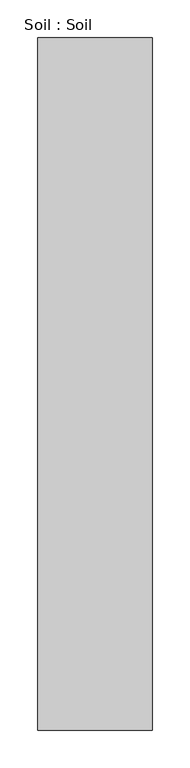
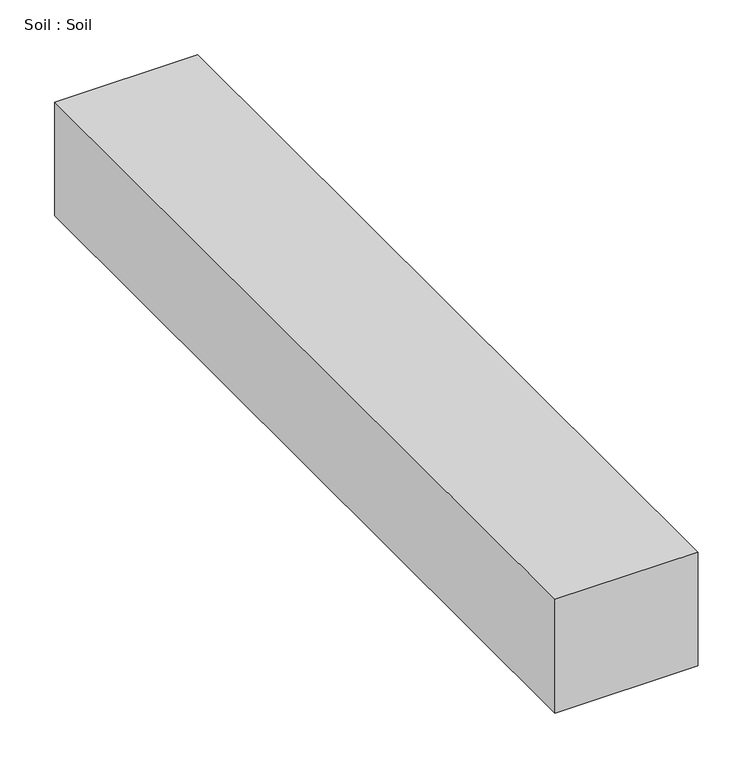
"""IFC4 building model written with IfcOpenShell, lengths in millimetres: proxy geometry, Soil : Soil."""

import ifcopenshell
import ifcopenshell.guid

model = None  # the IFC model being written
_history = None  # IfcOwnerHistory: only IFC2X3 demands one
_inside = {}  # id of a spatial element -> (the spatial element, [elements in it])
_under = {}  # id of a project, library or spatial element -> (it, [spatial elements below it])
_declared = {}  # id of a project -> (the project, [libraries it declares])
_typed = {}  # id of a type object -> (the type object, [elements of that type])
_made_of = {}  # id of a material, layer set ... -> (it, [elements and type objects made of it])


def new_model(schema):
    """Start an empty IFC model of exactly this schema.

    Asked for "IFC4X3", IfcOpenShell would pick the latest addendum, in which some entities
    have other attributes; the version numbers below select the first issue.
    IFC2X3 requires an IfcOwnerHistory on every rooted entity: one is made here for all.
    """
    global model, _history
    if schema == "IFC4X3":
        model = ifcopenshell.file(schema_version=(4, 3, 0, 0))
    else:
        model = ifcopenshell.file(schema=schema)
    _inside.clear()
    _under.clear()
    _declared.clear()
    _typed.clear()
    _made_of.clear()
    _history = None
    if model.schema == "IFC2X3":
        org = make("IfcOrganization", Name="unknown")
        user = make(
            "IfcPersonAndOrganization",
            ThePerson=make("IfcPerson", FamilyName="unknown"),
            TheOrganization=org,
        )
        app = make(
            "IfcApplication",
            ApplicationDeveloper=org,
            Version="unknown",
            ApplicationFullName="unknown",
            ApplicationIdentifier="unknown",
        )
        _history = make(
            "IfcOwnerHistory",
            OwningUser=user,
            OwningApplication=app,
            ChangeAction="ADDED",
            CreationDate=0,
        )
    return model


def make(cls, **values):
    """One entity of the class cls with the attributes given. An attribute that is None is left unset."""
    return model.create_entity(
        cls, **{name: value for name, value in values.items() if value is not None}
    )


def rooted(cls, **values):
    """An entity with a GlobalId (a new one), such as an element, a storey or a relation."""
    return make(cls, GlobalId=ifcopenshell.guid.new(), OwnerHistory=_history, **values)


def si_unit(unit_type, name, prefix=None):
    """IfcSIUnit, for example si_unit("LENGTHUNIT", "METRE", prefix="MILLI")."""
    return make("IfcSIUnit", UnitType=unit_type, Prefix=prefix, Name=name)


def assignment(units):
    """IfcUnitAssignment: the units of a project."""
    return None if units is None else make("IfcUnitAssignment", Units=units)


def point(xyz):
    """IfcCartesianPoint."""
    return None if xyz is None else make("IfcCartesianPoint", Coordinates=xyz)


def direction(xyz):
    """IfcDirection."""
    return None if xyz is None else make("IfcDirection", DirectionRatios=xyz)


def frame(location, z_axis=None, x_axis=None):
    """IfcAxis2Placement3D, a coordinate frame: its origin and axes. An axis left out is left unset."""
    return make(
        "IfcAxis2Placement3D",
        Location=point(location),
        Axis=direction(z_axis),
        RefDirection=direction(x_axis),
    )


def origin():
    """The frame at (0, 0, 0) with its axes left unset."""
    return frame((0.0, 0.0, 0.0))


def place(relative_to, where):
    """IfcLocalPlacement: puts the frame where relative to a parent placement (None: the world)."""
    return make(
        "IfcLocalPlacement", PlacementRelTo=relative_to, RelativePlacement=where
    )


def context(
    kind, dimensions, precision=None, world=None, true_north=None, identifier=None
):
    """IfcGeometricRepresentationContext, for example the 3D "Model" context."""
    return make(
        "IfcGeometricRepresentationContext",
        ContextIdentifier=identifier,
        ContextType=kind,
        CoordinateSpaceDimension=dimensions,
        Precision=precision,
        WorldCoordinateSystem=world,
        TrueNorth=true_north,
    )


def project(units=None, contexts=None):
    """IfcProject with its units and contexts."""
    return rooted(
        "IfcProject",
        Name="project",
        RepresentationContexts=contexts,
        UnitsInContext=assignment(units),
    )


def spatial(cls, under=None, at=None, **own):
    """A site, building, storey or space (cls), placed at a placement, below another one or the project."""
    s = rooted(cls, ObjectPlacement=at, **own)
    if under is not None:
        _under.setdefault(under.id(), (under, []))[1].append(s)
    return s


def polyline(points):
    """IfcPolyline through the points."""
    return make("IfcPolyline", Points=[point(p) for p in points])


def outline(outer, holes=None, kind="AREA"):
    """IfcArbitraryClosedProfileDef: a profile drawn as a closed curve; with holes, ...WithVoids."""
    if holes is None:
        return make("IfcArbitraryClosedProfileDef", ProfileType=kind, OuterCurve=outer)
    return make(
        "IfcArbitraryProfileDefWithVoids",
        ProfileType=kind,
        OuterCurve=outer,
        InnerCurves=holes,
    )


def extrude(swept, where, along, depth):
    """IfcExtrudedAreaSolid: the profile swept, set in the frame where, extruded along a direction by depth."""
    return make(
        "IfcExtrudedAreaSolid",
        SweptArea=swept,
        Position=where,
        ExtrudedDirection=direction(along),
        Depth=depth,
    )


def shape(context_of_items, identifier, shape_type, items):
    """IfcShapeRepresentation: the items that make up one representation, for example the "Body"."""
    return make(
        "IfcShapeRepresentation",
        ContextOfItems=context_of_items,
        RepresentationIdentifier=identifier,
        RepresentationType=shape_type,
        Items=items,
    )


def source(mapping_origin, context_of_items, identifier, shape_type, items):
    """IfcRepresentationMap: a shape defined once, which mapped items show again and again."""
    return make(
        "IfcRepresentationMap",
        MappingOrigin=mapping_origin,
        MappedRepresentation=shape(context_of_items, identifier, shape_type, items),
    )


def transform(
    local_origin,
    x_axis=None,
    y_axis=None,
    z_axis=None,
    scale=None,
    scale2=None,
    scale3=None,
    uniform=True,
):
    """IfcCartesianTransformationOperator3D, or its non-uniform kind. x_axis, y_axis, z_axis: its Axis1, 2, 3."""
    if uniform:
        return make(
            "IfcCartesianTransformationOperator3D",
            Axis1=direction(x_axis),
            Axis2=direction(y_axis),
            LocalOrigin=point(local_origin),
            Scale=scale,
            Axis3=direction(z_axis),
        )
    return make(
        "IfcCartesianTransformationOperator3DnonUniform",
        Axis1=direction(x_axis),
        Axis2=direction(y_axis),
        LocalOrigin=point(local_origin),
        Scale=scale,
        Axis3=direction(z_axis),
        Scale2=scale2,
        Scale3=scale3,
    )


def mapped(mapping_source, mapping_target):
    """IfcMappedItem: shows the shape of a source again, moved by a transform."""
    return make(
        "IfcMappedItem", MappingSource=mapping_source, MappingTarget=mapping_target
    )


def made_of(thing, what):
    """Note that an element or type object is made of a material, layer set ...; save() writes the relation."""
    if what is not None:
        _made_of.setdefault(what.id(), (what, []))[1].append(thing)
    return thing


def element(
    cls,
    number,
    at=None,
    inside=None,
    cuts=None,
    type_object=None,
    material=None,
    context=None,
    identifier="Body",
    shape_type=None,
    held_by="IfcProductDefinitionShape",
    body=None,
    shapes=None,
    **own,
):
    """One element of the class cls, such as IfcWall. Its Tag is "e" and its number.

    at: its placement. inside: the storey or other place that contains it. cuts: it is an
    opening in that element (IfcRelVoidsElement). A single representation is given by context,
    identifier, shape_type and body (its items); several are given by shapes. held_by: the class
    of the entity that holds the representations. save() writes the other relations.
    """
    e = rooted(cls, Tag="e%d" % number, ObjectPlacement=at, **own)
    if body is not None:
        shapes = [shape(context, identifier, shape_type, body)]
    if shapes is not None:
        e.Representation = make(held_by, Representations=shapes)
    if inside is not None:
        _inside.setdefault(inside.id(), (inside, []))[1].append(e)
    if cuts is not None:
        rooted(
            "IfcRelVoidsElement", RelatingBuildingElement=cuts, RelatedOpeningElement=e
        )
    if type_object is not None:
        _typed.setdefault(type_object.id(), (type_object, []))[1].append(e)
    return made_of(e, material)


def aggregate(whole, parts):
    """IfcRelAggregates: a whole, such as a stair, and the parts it consists of."""
    return rooted("IfcRelAggregates", RelatingObject=whole, RelatedObjects=parts)


def save(model, path):
    """Write the relations noted so far, then the file.

    IfcRelAggregates (storeys below a building ...), IfcRelContainedInSpatialStructure (elements
    in a storey), IfcRelDefinesByType, IfcRelAssociatesMaterial and IfcRelDeclares: one each for
    every whole, place, type object, material and project.
    """
    for whole, parts in _under.values():
        aggregate(whole, parts)
    for where, things in _inside.values():
        rooted(
            "IfcRelContainedInSpatialStructure",
            RelatedElements=things,
            RelatingStructure=where,
        )
    for kind, things in _typed.values():
        rooted("IfcRelDefinesByType", RelatedObjects=things, RelatingType=kind)
    for what, things in _made_of.values():
        rooted("IfcRelAssociatesMaterial", RelatedObjects=things, RelatingMaterial=what)
    for by, libraries in _declared.values():
        rooted("IfcRelDeclares", RelatingContext=by, RelatedDefinitions=libraries)
    model.write(path)


def soil_soil_400a834a(model_context):
    return source(origin(), model_context, "Body", "SweptSolid", [
        extrude(outline(polyline([(37682.2530211, -18662.4264268), (37833.0859375, -18662.4264268), (37833.0859375, -19576.8264268), (37682.2530211, -19576.8264268), (37682.2530211, -18662.4264268)])), frame((0.0, 0.0, 457.9835418), z_axis=(0.0, 0.0, 1.0), x_axis=(1.0, 0.0, 0.0)), (0.0, 0.0, 1.0), 127.0),
    ])


if __name__ == "__main__":
    model = new_model("IFC4")
    model_context = context("Model", 3, world=origin())
    ifc_project = project(units=[si_unit("LENGTHUNIT", "METRE", prefix="MILLI")], contexts=[model_context])
    site = spatial("IfcSite", under=ifc_project)
    building = spatial("IfcBuilding", under=site)
    placement = place(None, origin())
    soil_soil_shape = soil_soil_400a834a(model_context)
    element("IfcBuildingElementProxy", 1, Name="Soil : Soil", ObjectType="Soil : Soil", at=placement, inside=building, context=model_context, shape_type="MappedRepresentation", body=[
        mapped(soil_soil_shape, transform((0.0, 0.0, 0.0), x_axis=(1.0, 0.0, 0.0), y_axis=(0.0, 1.0, 0.0), z_axis=(0.0, 0.0, 1.0))),
    ])
    save(model, "model.ifc")
